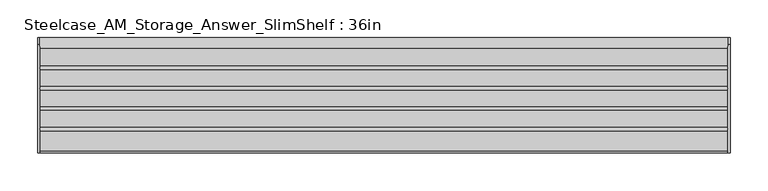
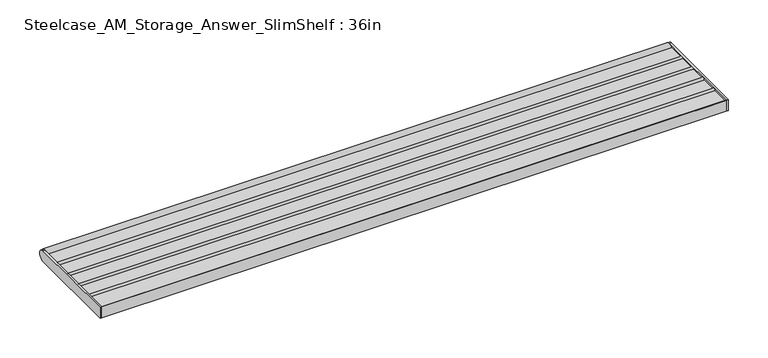
"""IFC4 building model written with IfcOpenShell, lengths in millimetres: furniture geometry, Steelcase_AM_Storage_Answer_SlimShelf : 36in."""

from ifc_helpers import new_model, si_unit, point, frame, frame_2d, origin, place, context, project, spatial, polyline, circle_curve, trimmed, segment, composite_curve, outline, extrude, source, transform, mapped, element, save


def steelcase_am_storage_answer_slimshelf_36in_fd3357c7(model_context):
    return source(origin(), model_context, "Body", "SweptSolid", [
        extrude(outline(composite_curve([segment(trimmed(circle_curve(frame_2d((31.4959995, 928.482716)), 2.2860001), [point((29.2099994, 928.482716))], [point((33.7819996, 928.482716))], False, "CARTESIAN"), True, "CONTINUOUS"), segment(polyline([(33.7819996, 928.482716), (56.1848018, 928.482716)]), True, "CONTINUOUS"), segment(trimmed(circle_curve(frame_2d((58.4708019, 928.482716)), 2.2860001), [point((56.1848018, 928.482716))], [point((60.756802, 928.482716))], False, "CARTESIAN"), True, "CONTINUOUS"), segment(polyline([(60.756802, 928.482716), (83.1596043, 928.482716)]), True, "CONTINUOUS"), segment(trimmed(circle_curve(frame_2d((85.4456021, 928.482716)), 2.2859978), [point((83.1596043, 928.482716))], [point((87.7315999, 928.482716))], False, "CARTESIAN"), True, "CONTINUOUS"), segment(polyline([(87.7315999, 928.482716), (110.1344022, 928.482716)]), True, "CONTINUOUS"), segment(trimmed(circle_curve(frame_2d((112.4204, 928.482716)), 2.2859978), [point((110.1344022, 928.482716))], [point((114.7063978, 928.482716))], False, "CARTESIAN"), True, "CONTINUOUS"), segment(polyline([(114.7063978, 928.482716), (137.7150621, 928.482716)]), True, "CONTINUOUS"), segment(trimmed(circle_curve(frame_2d((143.9753135, 922.8328065)), 8.4328065), [point((137.7150621, 928.482716))], [point((143.9753135, 914.4))], False, "CARTESIAN"), True, "CONTINUOUS"), segment(polyline([(143.9753135, 914.4), (0.0, 914.4), (0.0, 930.7687161)]), True, "CONTINUOUS"), segment(trimmed(circle_curve(frame_2d((-1e-07, 928.482716)), 2.2860001), [point((0.0, 930.7687161))], [point((2.2859999, 928.482716))], False, "CARTESIAN"), True, "CONTINUOUS"), segment(polyline([(2.2859999, 928.482716), (29.2099994, 928.482716)]), True, "CONTINUOUS")], self_intersect=False)), frame((2.7431999, 0.0, 0.0), z_axis=(1.0, 0.0, 0.0), x_axis=(0.0, 1.0, 0.0)), (0.0, 0.0, 1.0), 908.8120001),
        extrude(outline(composite_curve([segment(trimmed(circle_curve(frame_2d((143.9753135, 922.8328065)), 8.4328065), [point((143.9753135, 931.265613))], [point((143.9753135, 914.4))], False, "CARTESIAN"), True, "CONTINUOUS"), segment(polyline([(143.9753135, 914.4), (0.0, 914.4), (0.0, 931.265613), (143.9753135, 931.265613)]), True, "CONTINUOUS")], self_intersect=False)), frame((911.5552, 0.0, 0.0), z_axis=(1.0, 0.0, 0.0), x_axis=(0.0, 1.0, 0.0)), (0.0, 0.0, 1.0), 2.8448),
        extrude(outline(composite_curve([segment(trimmed(circle_curve(frame_2d((143.9753135, 922.8328065)), 8.4328065), [point((143.9753135, 931.265613))], [point((143.9753135, 914.4))], False, "CARTESIAN"), True, "CONTINUOUS"), segment(polyline([(143.9753135, 914.4), (0.0, 914.4), (0.0, 931.265613), (143.9753135, 931.265613)]), True, "CONTINUOUS")], self_intersect=False)), frame((0.0, 0.0, 0.0), z_axis=(1.0, 0.0, 0.0), x_axis=(0.0, 1.0, 0.0)), (0.0, 0.0, 1.0), 2.7431999),
    ])


if __name__ == "__main__":
    model = new_model("IFC4")
    model_context = context("Model", 3, world=origin())
    ifc_project = project(units=[si_unit("LENGTHUNIT", "METRE", prefix="MILLI")], contexts=[model_context])
    site = spatial("IfcSite", under=ifc_project)
    building = spatial("IfcBuilding", under=site)
    placement = place(None, origin())
    steelcase_am_storage_answer_slimshelf_36in_shape = steelcase_am_storage_answer_slimshelf_36in_fd3357c7(model_context)
    element("IfcFurniture", 1, ObjectType="Steelcase_AM_Storage_Answer_SlimShelf : 36in", at=placement, inside=building, context=model_context, shape_type="MappedRepresentation", body=[
        mapped(steelcase_am_storage_answer_slimshelf_36in_shape, transform((0.0, 0.0, 0.0), x_axis=(1.0, 0.0, 0.0), y_axis=(0.0, 1.0, 0.0), z_axis=(0.0, 0.0, 1.0))),
    ])
    save(model, "model.ifc")
